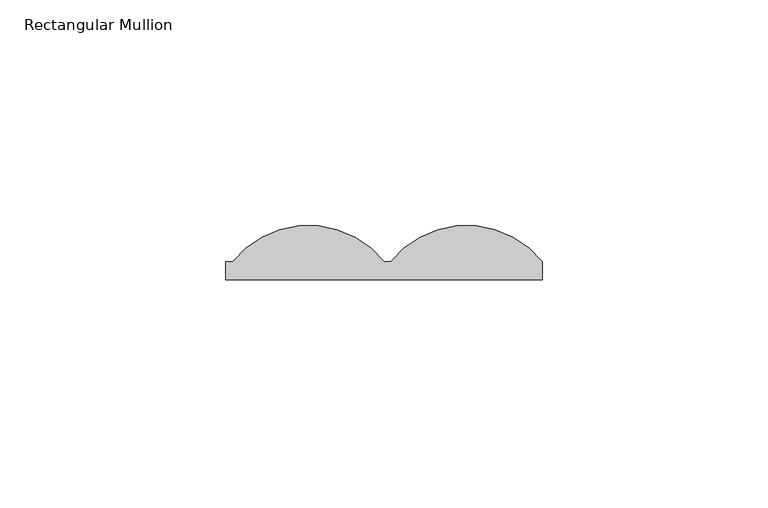
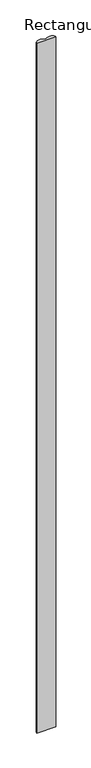
"""IFC4 building model written with IfcOpenShell, lengths in millimetres: member geometry, Rectangular Mullion."""

from ifc_helpers import new_model, si_unit, point, frame, frame_2d, origin, place, context, project, spatial, polyline, circle_curve, trimmed, segment, composite_curve, outline, extrude, source, transform, mapped, element, save


def rectangular_mullion_fb8934ca(model_context):
    return source(origin(), model_context, "Body", "SweptSolid", [
        extrude(outline(composite_curve([segment(polyline([(0.0, 3.9994695), (1.532743, 3.9994695)]), True, "CONTINUOUS"), segment(trimmed(circle_curve(frame_2d((18.2663715, -9.5)), 21.5), [point((1.532743, 3.9994695))], [point((35.0, 3.9994695))], False, "CARTESIAN"), True, "CONTINUOUS"), segment(polyline([(35.0, 3.9994695), (35.0, 0.0), (-35.0, 0.0), (-35.0, 3.9994695), (-33.467257, 3.9994695)]), True, "CONTINUOUS"), segment(trimmed(circle_curve(frame_2d((-16.7336285, -9.5)), 21.5), [point((-33.467257, 3.9994695))], [point((0.0, 3.9994695))], False, "CARTESIAN"), True, "CONTINUOUS")], self_intersect=False)), frame((0.0, 0.0, -2700.0), z_axis=(0.0, 0.0, 1.0), x_axis=(1.0, 0.0, 0.0)), (0.0, 0.0, 1.0), 2700.0),
    ])


if __name__ == "__main__":
    model = new_model("IFC4")
    model_context = context("Model", 3, world=origin())
    ifc_project = project(units=[si_unit("LENGTHUNIT", "METRE", prefix="MILLI")], contexts=[model_context])
    site = spatial("IfcSite", under=ifc_project)
    building = spatial("IfcBuilding", under=site)
    placement = place(None, origin())
    rectangular_mullion_shape = rectangular_mullion_fb8934ca(model_context)
    element("IfcMember", 1, ObjectType="Rectangular Mullion", at=placement, inside=building, context=model_context, shape_type="MappedRepresentation", body=[
        mapped(rectangular_mullion_shape, transform((0.0, 0.0, 0.0), x_axis=(1.0, 0.0, 0.0), y_axis=(0.0, 1.0, 0.0), z_axis=(0.0, 0.0, 1.0))),
    ])
    save(model, "model.ifc")
